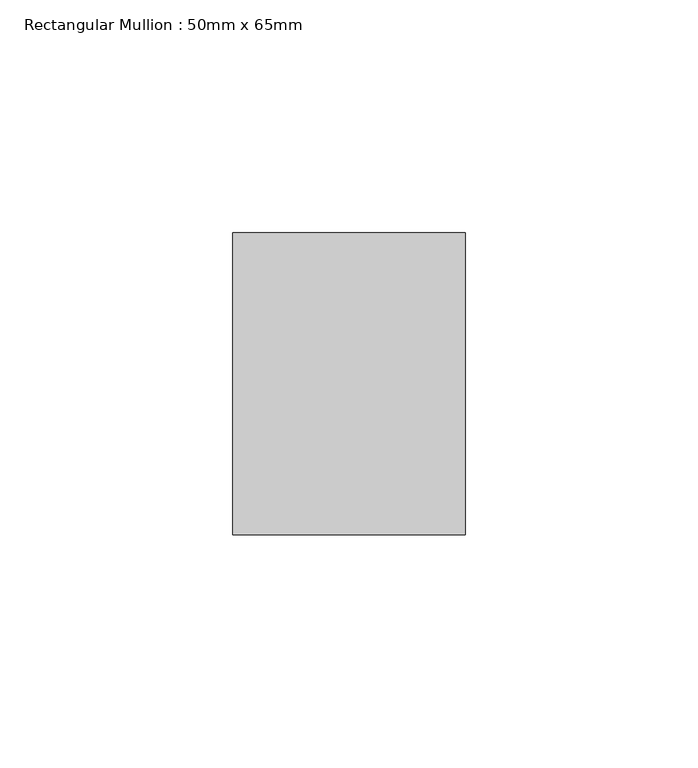
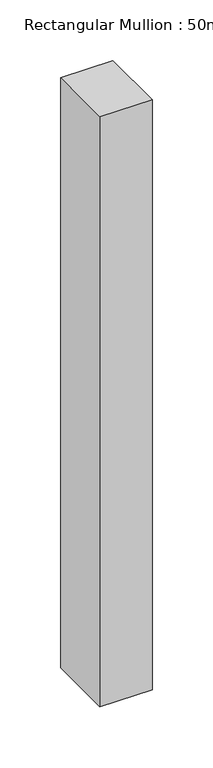
"""IFC4 building model written with IfcOpenShell, lengths in millimetres: member geometry, Rectangular Mullion : 50mm x 65mm."""

from ifc_helpers import new_model, si_unit, frame, origin, place, context, project, spatial, polyline, outline, extrude, source, transform, mapped, element, save


def rectangular_mullion_50mm_x_65mm_091fda0a(model_context):
    return source(origin(), model_context, "Body", "SweptSolid", [
        extrude(outline(polyline([(25.0, 32.5), (25.0, -32.5), (-25.0, -32.5), (-25.0, 32.5), (25.0, 32.5)])), frame((0.0, 0.0, -595.775839), z_axis=(0.0, 0.0, 1.0), x_axis=(1.0, 0.0, 0.0)), (0.0, 0.0, 1.0), 595.775839),
    ])


if __name__ == "__main__":
    model = new_model("IFC4")
    model_context = context("Model", 3, world=origin())
    ifc_project = project(units=[si_unit("LENGTHUNIT", "METRE", prefix="MILLI")], contexts=[model_context])
    site = spatial("IfcSite", under=ifc_project)
    building = spatial("IfcBuilding", under=site)
    placement = place(None, origin())
    rectangular_mullion_50mm_x_65mm_shape = rectangular_mullion_50mm_x_65mm_091fda0a(model_context)
    element("IfcMember", 1, ObjectType="Rectangular Mullion : 50mm x 65mm", at=placement, inside=building, context=model_context, shape_type="MappedRepresentation", body=[
        mapped(rectangular_mullion_50mm_x_65mm_shape, transform((0.0, 0.0, 0.0), x_axis=(1.0, 0.0, 0.0), y_axis=(0.0, 1.0, 0.0), z_axis=(0.0, 0.0, 1.0))),
    ])
    save(model, "model.ifc")
